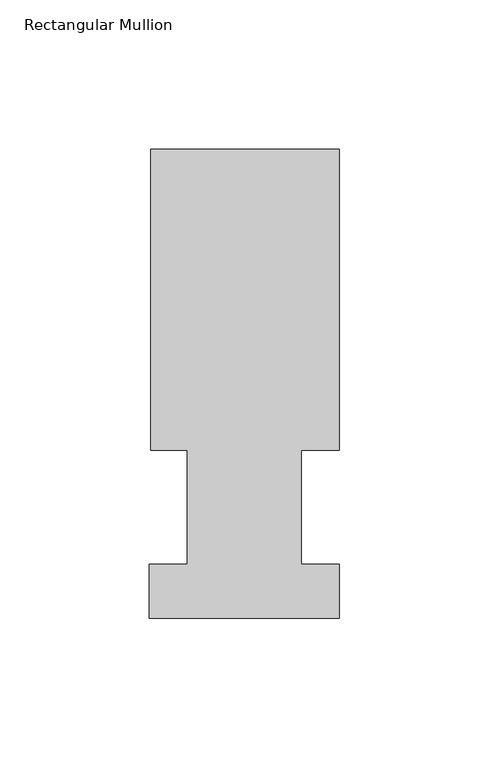
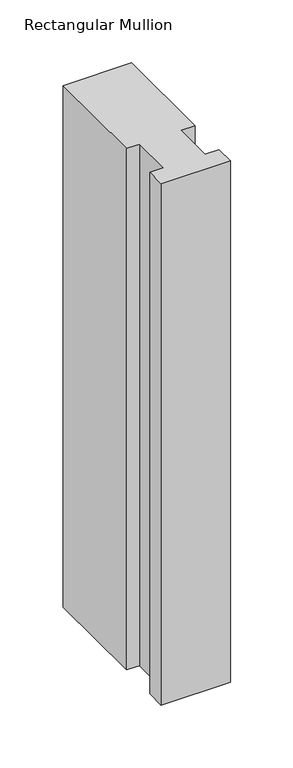
"""IFC4 building model written with IfcOpenShell, lengths in millimetres: member geometry, Rectangular Mullion."""

from ifc_helpers import new_model, si_unit, frame, origin, place, context, project, spatial, polyline, outline, extrude, source, transform, mapped, element, save


def rectangular_mullion_9d3d8907(model_context):
    return source(origin(), model_context, "Body", "SweptSolid", [
        extrude(outline(polyline([(-63.0936, 56.6539062), (-63.0936, 157.3395062), (0.0, 157.3395062), (0.0, 56.6539063), (-12.6746, 56.6539062), (-12.6746, 18.5539062), (0.0, 18.5539062), (0.0, 0.5199062), (-63.5, 0.5199062), (-63.5, 18.5539062), (-50.8, 18.5539062), (-50.8, 56.6539062), (-63.0936, 56.6539062)])), frame((0.0, 0.0, -506.4112992), z_axis=(0.0, 0.0, 1.0), x_axis=(1.0, 0.0, 0.0)), (0.0, 0.0, 1.0), 506.4112992),
    ])


if __name__ == "__main__":
    model = new_model("IFC4")
    model_context = context("Model", 3, world=origin())
    ifc_project = project(units=[si_unit("LENGTHUNIT", "METRE", prefix="MILLI")], contexts=[model_context])
    site = spatial("IfcSite", under=ifc_project)
    building = spatial("IfcBuilding", under=site)
    placement = place(None, origin())
    rectangular_mullion_shape = rectangular_mullion_9d3d8907(model_context)
    element("IfcMember", 1, ObjectType="Rectangular Mullion", at=placement, inside=building, context=model_context, shape_type="MappedRepresentation", body=[
        mapped(rectangular_mullion_shape, transform((0.0, 0.0, 0.0), x_axis=(1.0, 0.0, 0.0), y_axis=(0.0, 1.0, 0.0), z_axis=(0.0, 0.0, 1.0))),
    ])
    save(model, "model.ifc")
